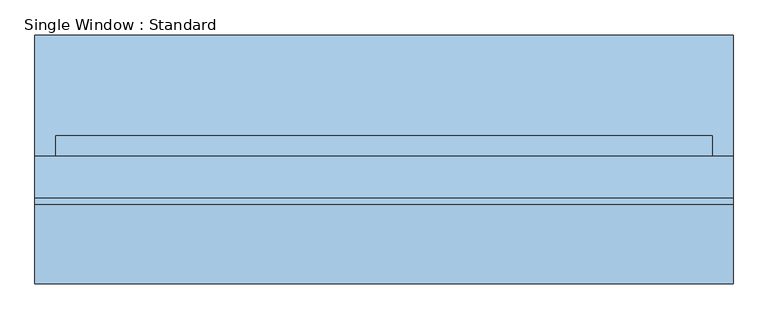
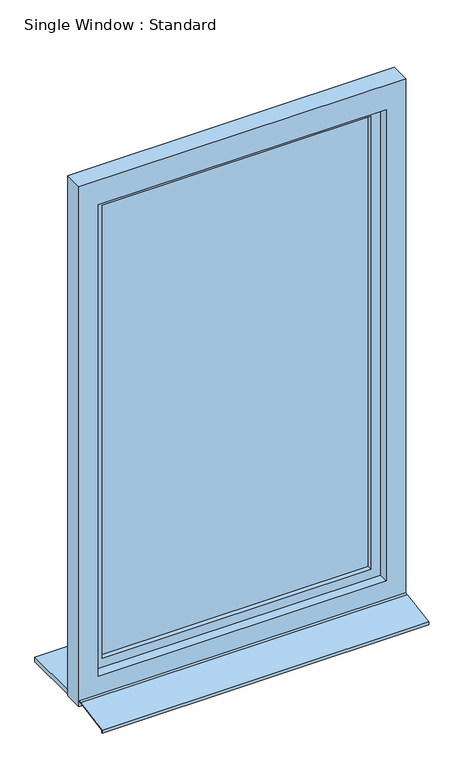
"""IFC4 building model written with IfcOpenShell, lengths in millimetres: window geometry, Single Window : Standard."""

from ifc_helpers import new_model, si_unit, frame, origin, place, context, project, spatial, polyline, outline, extrude, faceted_brep, source, transform, mapped, element, save


def single_window_standard_9009759d(model_context):
    return source(origin(), model_context, "Body", "SolidModel", [
        extrude(outline(polyline([(415.0, 19.3885865), (415.0, -10.6114135), (-415.0, -10.6114135), (-415.0, 19.3885865), (415.0, 19.3885865)])), frame((0.0, 0.0, 1110.0), z_axis=(0.0, 0.0, 1.0), x_axis=(1.0, 0.0, 0.0)), (0.0, 0.0, 1.0), 1480.0),
        faceted_brep([(475.0, 4.3885865, 2650.0), (475.0, 4.3885865, 1050.0), (475.0, 34.3885865, 1050.0), (475.0, 34.3885865, 2650.0), (445.0, -25.6114135, 2620.0), (445.0, -25.6114135, 1080.0), (445.0, 4.3885865, 1080.0), (445.0, 4.3885865, 2620.0), (415.0, 34.3885865, 2590.0), (415.0, 34.3885865, 1110.0), (415.0, -25.6114135, 1110.0), (415.0, -25.6114135, 2590.0), (-475.0, 4.3885865, 1050.0), (-475.0, 34.3885865, 1050.0), (-445.0, -25.6114135, 1080.0), (-445.0, 4.3885865, 1080.0), (-415.0, 34.3885865, 1110.0), (-415.0, -25.6114135, 1110.0), (-475.0, 4.3885865, 2650.0), (-475.0, 34.3885865, 2650.0), (-445.0, -25.6114135, 2620.0), (-445.0, 4.3885865, 2620.0), (-415.0, 34.3885865, 2590.0), (-415.0, -25.6114135, 2590.0)], [[[0, 1, 2, 3]], [[4, 5, 6, 7]], [[8, 9, 10, 11]], [[1, 12, 13, 2]], [[5, 14, 15, 6]], [[9, 16, 17, 10]], [[12, 18, 19, 13]], [[14, 20, 21, 15]], [[16, 22, 23, 17]], [[18, 0, 3, 19]], [[1, 0, 18, 12], [7, 6, 15, 21]], [[20, 4, 7, 21]], [[5, 4, 20, 14], [11, 10, 17, 23]], [[22, 8, 11, 23]], [[3, 2, 13, 19], [9, 8, 22, 16]]]),
        extrude(outline(polyline([(2700.0, 505.0), (2700.0, -505.0), (1000.0, -505.0), (1000.0, 505.0), (2700.0, 505.0)]), holes=[polyline([(2620.0, 445.0), (1080.0, 445.0), (1080.0, -445.0), (2620.0, -445.0), (2620.0, 445.0)])]), frame((0.0, -55.6114135, 0.0), z_axis=(0.0, 1.0, 0.0), x_axis=(0.0, 0.0, 1.0)), (0.0, 0.0, 1.0), 60.0),
        extrude(outline(polyline([(-65.6335679, 1020.0), (-55.6114135, 1020.0), (-55.6114135, 1018.0), (-65.4354858, 1018.0), (-178.0, 998.3604634), (-178.0, 990.0), (-180.0, 990.0), (-180.0, 1000.0), (-65.6335679, 1020.0)])), frame((-505.0, 0.0, 0.0), z_axis=(1.0, 0.0, 0.0), x_axis=(0.0, 1.0, 0.0)), (0.0, 0.0, 1.0), 1010.0),
        extrude(outline(polyline([(-505.0, 180.0), (505.0, 180.0), (505.0, 4.3885865), (-505.0, 4.3885865), (-505.0, 180.0)])), frame((0.0, 0.0, 1005.0), z_axis=(0.0, 0.0, 1.0), x_axis=(1.0, 0.0, 0.0)), (0.0, 0.0, 1.0), 15.0),
    ])


if __name__ == "__main__":
    model = new_model("IFC4")
    model_context = context("Model", 3, world=origin())
    ifc_project = project(units=[si_unit("LENGTHUNIT", "METRE", prefix="MILLI")], contexts=[model_context])
    site = spatial("IfcSite", under=ifc_project)
    building = spatial("IfcBuilding", under=site)
    placement = place(None, origin())
    single_window_standard_shape = single_window_standard_9009759d(model_context)
    element("IfcWindow", 1, ObjectType="Single Window : Standard", at=placement, inside=building, context=model_context, shape_type="MappedRepresentation", body=[
        mapped(single_window_standard_shape, transform((0.0, 0.0, 0.0), x_axis=(1.0, 0.0, 0.0), y_axis=(0.0, 1.0, 0.0), z_axis=(0.0, 0.0, 1.0))),
    ])
    save(model, "model.ifc")
